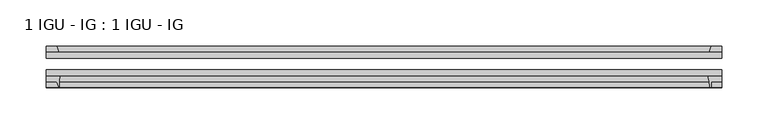
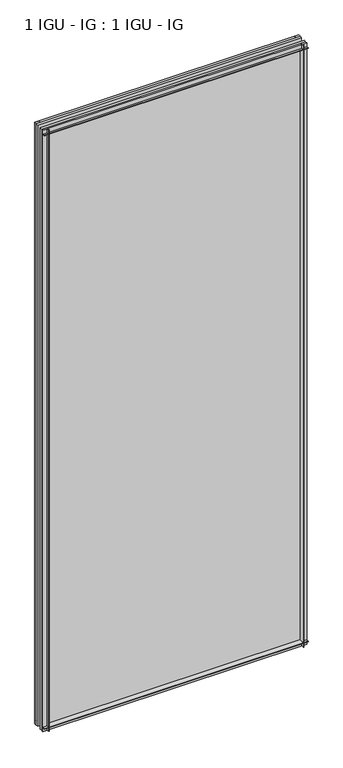
"""IFC4 building model written with IfcOpenShell, lengths in millimetres: plate geometry, 1 IGU - IG : 1 IGU - IG."""

from ifc_helpers import new_model, si_unit, point, frame, frame_2d, origin, place, context, project, spatial, polyline, circle_curve, trimmed, segment, composite_curve, outline, extrude, source, transform, mapped, element, save


def plate_1_igu_ig_1_igu_ig_9f80809b(model_context):
    return source(origin(), model_context, "Body", "SweptSolid", [
        extrude(outline(polyline([(345.8824303, -31.75), (345.8824303, -38.1), (-383.9824303, -38.1), (-383.9824303, -31.75), (345.8824303, -31.75)])), frame((0.0, 0.0, -11.1125), z_axis=(0.0, 0.0, 1.0), x_axis=(1.0, 0.0, 0.0)), (0.0, 0.0, 1.0), 1755.775),
        extrude(outline(polyline([(-383.9824303, -12.7), (345.8824303, -12.7), (345.8824303, -19.05), (-383.9824303, -19.05), (-383.9824303, -12.7)])), frame((0.0, 0.0, -11.1125), z_axis=(0.0, 0.0, 1.0), x_axis=(1.0, 0.0, 0.0)), (0.0, 0.0, 1.0), 1755.775),
        extrude(outline(polyline([(-383.9824303, -12.7), (-383.9824303, -6.35), (-372.8563289, -6.35), (-370.7510518, -12.7), (-383.9824303, -12.7)])), frame((0.0, 0.0, -11.1125), z_axis=(0.0, 0.0, 1.0), x_axis=(1.0, 0.0, 0.0)), (0.0, 0.0, 1.0), 1755.775),
        extrude(outline(composite_curve([segment(trimmed(circle_curve(frame_2d((-325.4161333, -53.3794536)), 45.8781451), [point((-368.6751496, -38.1))], [point((-369.9349334, -42.2942999))], True, "CARTESIAN"), True, "CONTINUOUS"), segment(trimmed(circle_curve(frame_2d((-360.6921541, -44.5957463)), 9.525), [point((-369.9349334, -42.2942999))], [point((-370.2014563, -45.1423684))], True, "CARTESIAN"), True, "CONTINUOUS"), segment(trimmed(circle_curve(frame_2d((-333.7349085, -43.0461661)), 36.5267461), [point((-370.2014563, -45.1423684))], [point((-369.7103849, -49.3682124))], True, "CARTESIAN"), True, "CONTINUOUS"), segment(trimmed(circle_curve(frame_2d((-370.4608846, -49.5000993)), 0.762), [point((-369.7103849, -49.3682124))], [point((-370.4489174, -50.2620054))], False, "CARTESIAN"), True, "CONTINUOUS"), segment(polyline([(-370.4489174, -50.2620054), (-372.8563289, -44.45), (-383.9824303, -44.45), (-383.9824303, -38.1), (-368.6751496, -38.1)]), True, "CONTINUOUS")], self_intersect=False)), frame((0.0, 0.0, -11.1125), z_axis=(0.0, 0.0, 1.0), x_axis=(1.0, 0.0, 0.0)), (0.0, 0.0, 1.0), 1755.775),
        extrude(outline(polyline([(345.8824303, -12.7), (332.6646532, -12.7), (334.7699303, -6.35), (345.8824303, -6.35), (345.8824303, -12.7)])), frame((0.0, 0.0, -11.1125), z_axis=(0.0, 0.0, 1.0), x_axis=(1.0, 0.0, 0.0)), (0.0, 0.0, 1.0), 1755.775),
        extrude(outline(composite_curve([segment(polyline([(330.588751, -38.1), (345.8824303, -38.1), (345.8824303, -44.45), (334.7699303, -44.45), (334.7699303, -50.8), (333.8500294, -50.8)]), True, "CONTINUOUS"), segment(trimmed(circle_curve(frame_2d((333.8500294, -50.038)), 0.762), [point((333.8500294, -50.8))], [point((333.0899875, -50.0925922))], False, "CARTESIAN"), True, "CONTINUOUS"), segment(trimmed(circle_curve(frame_2d((287.3297347, -53.3794536)), 45.8781451), [point((333.0899875, -50.0925922))], [point((330.588751, -38.1))], True, "CARTESIAN"), True, "CONTINUOUS")], self_intersect=False)), frame((0.0, 0.0, -11.1125), z_axis=(0.0, 0.0, 1.0), x_axis=(1.0, 0.0, 0.0)), (0.0, 0.0, 1.0), 1755.775),
        extrude(outline(polyline([(-12.7, -11.1125), (-12.7, 2.1052771), (-6.35, 0.0), (-6.35, -11.1125), (-12.7, -11.1125)])), frame((-383.9824303, 0.0, 0.0), z_axis=(1.0, 0.0, 0.0), x_axis=(0.0, 1.0, 0.0)), (0.0, 0.0, 1.0), 729.8648605),
        extrude(outline(composite_curve([segment(polyline([(-38.1, 4.1811793), (-38.1, -11.1125), (-44.45, -11.1125), (-44.45, 0.0), (-50.8, 0.0), (-50.8, 0.9199009)]), True, "CONTINUOUS"), segment(trimmed(circle_curve(frame_2d((-50.038, 0.9199009)), 0.762), [point((-50.8, 0.9199009))], [point((-50.0925922, 1.6799428))], False, "CARTESIAN"), True, "CONTINUOUS"), segment(trimmed(circle_curve(frame_2d((-53.3794536, 47.4401956)), 45.8781451), [point((-50.0925922, 1.6799428))], [point((-38.1, 4.1811793))], True, "CARTESIAN"), True, "CONTINUOUS")], self_intersect=False)), frame((-383.9824303, 0.0, 0.0), z_axis=(1.0, 0.0, 0.0), x_axis=(0.0, 1.0, 0.0)), (0.0, 0.0, 1.0), 729.8648605),
        extrude(outline(polyline([(-6.35, 1733.55), (-12.7, 1731.4447229), (-12.7, 1744.6625), (-6.35, 1744.6625), (-6.35, 1733.55)])), frame((-383.9824303, 0.0, 0.0), z_axis=(1.0, 0.0, 0.0), x_axis=(0.0, 1.0, 0.0)), (0.0, 0.0, 1.0), 729.8648605),
        extrude(outline(composite_curve([segment(polyline([(-38.1, 1744.6625), (-38.1, 1729.3688207)]), True, "CONTINUOUS"), segment(trimmed(circle_curve(frame_2d((-53.3794536, 1686.1098044)), 45.8781451), [point((-38.1, 1729.3688207))], [point((-50.0925922, 1731.8700572))], True, "CARTESIAN"), True, "CONTINUOUS"), segment(trimmed(circle_curve(frame_2d((-50.038, 1732.6300991)), 0.762), [point((-50.0925922, 1731.8700572))], [point((-50.8, 1732.6300991))], False, "CARTESIAN"), True, "CONTINUOUS"), segment(polyline([(-50.8, 1732.6300991), (-50.8, 1733.55), (-44.45, 1733.55), (-44.45, 1744.6625), (-38.1, 1744.6625)]), True, "CONTINUOUS")], self_intersect=False)), frame((-383.9824303, 0.0, 0.0), z_axis=(1.0, 0.0, 0.0), x_axis=(0.0, 1.0, 0.0)), (0.0, 0.0, 1.0), 729.8648605),
    ])


if __name__ == "__main__":
    model = new_model("IFC4")
    model_context = context("Model", 3, world=origin())
    ifc_project = project(units=[si_unit("LENGTHUNIT", "METRE", prefix="MILLI")], contexts=[model_context])
    site = spatial("IfcSite", under=ifc_project)
    building = spatial("IfcBuilding", under=site)
    placement = place(None, origin())
    plate_1_igu_ig_1_igu_ig_shape = plate_1_igu_ig_1_igu_ig_9f80809b(model_context)
    element("IfcPlate", 1, ObjectType="1 IGU - IG : 1 IGU - IG", at=placement, inside=building, context=model_context, shape_type="MappedRepresentation", body=[
        mapped(plate_1_igu_ig_1_igu_ig_shape, transform((0.0, 0.0, 0.0), x_axis=(1.0, 0.0, 0.0), y_axis=(0.0, 1.0, 0.0), z_axis=(0.0, 0.0, 1.0))),
    ])
    save(model, "model.ifc")
